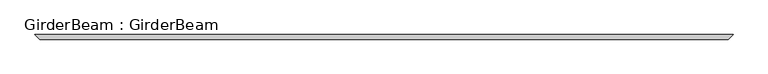
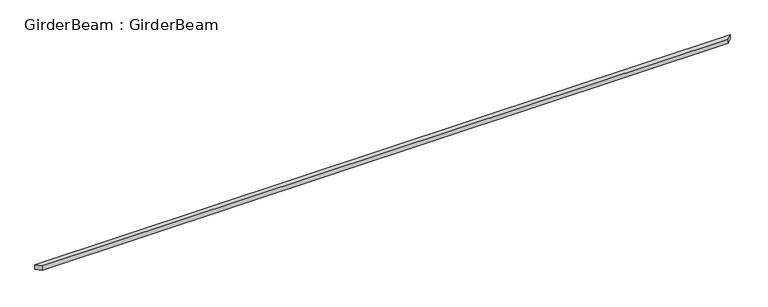
"""IFC4 building model written with IfcOpenShell, lengths in millimetres: beam geometry, GirderBeam : GirderBeam."""

import ifcopenshell
import ifcopenshell.guid

model = None  # the IFC model being written
_history = None  # IfcOwnerHistory: only IFC2X3 demands one
_inside = {}  # id of a spatial element -> (the spatial element, [elements in it])
_under = {}  # id of a project, library or spatial element -> (it, [spatial elements below it])
_declared = {}  # id of a project -> (the project, [libraries it declares])
_typed = {}  # id of a type object -> (the type object, [elements of that type])
_made_of = {}  # id of a material, layer set ... -> (it, [elements and type objects made of it])


def new_model(schema):
    """Start an empty IFC model of exactly this schema.

    Asked for "IFC4X3", IfcOpenShell would pick the latest addendum, in which some entities
    have other attributes; the version numbers below select the first issue.
    IFC2X3 requires an IfcOwnerHistory on every rooted entity: one is made here for all.
    """
    global model, _history
    if schema == "IFC4X3":
        model = ifcopenshell.file(schema_version=(4, 3, 0, 0))
    else:
        model = ifcopenshell.file(schema=schema)
    _inside.clear()
    _under.clear()
    _declared.clear()
    _typed.clear()
    _made_of.clear()
    _history = None
    if model.schema == "IFC2X3":
        org = make("IfcOrganization", Name="unknown")
        user = make(
            "IfcPersonAndOrganization",
            ThePerson=make("IfcPerson", FamilyName="unknown"),
            TheOrganization=org,
        )
        app = make(
            "IfcApplication",
            ApplicationDeveloper=org,
            Version="unknown",
            ApplicationFullName="unknown",
            ApplicationIdentifier="unknown",
        )
        _history = make(
            "IfcOwnerHistory",
            OwningUser=user,
            OwningApplication=app,
            ChangeAction="ADDED",
            CreationDate=0,
        )
    return model


def make(cls, **values):
    """One entity of the class cls with the attributes given. An attribute that is None is left unset."""
    return model.create_entity(
        cls, **{name: value for name, value in values.items() if value is not None}
    )


def rooted(cls, **values):
    """An entity with a GlobalId (a new one), such as an element, a storey or a relation."""
    return make(cls, GlobalId=ifcopenshell.guid.new(), OwnerHistory=_history, **values)


def si_unit(unit_type, name, prefix=None):
    """IfcSIUnit, for example si_unit("LENGTHUNIT", "METRE", prefix="MILLI")."""
    return make("IfcSIUnit", UnitType=unit_type, Prefix=prefix, Name=name)


def assignment(units):
    """IfcUnitAssignment: the units of a project."""
    return None if units is None else make("IfcUnitAssignment", Units=units)


def point(xyz):
    """IfcCartesianPoint."""
    return None if xyz is None else make("IfcCartesianPoint", Coordinates=xyz)


def direction(xyz):
    """IfcDirection."""
    return None if xyz is None else make("IfcDirection", DirectionRatios=xyz)


def frame(location, z_axis=None, x_axis=None):
    """IfcAxis2Placement3D, a coordinate frame: its origin and axes. An axis left out is left unset."""
    return make(
        "IfcAxis2Placement3D",
        Location=point(location),
        Axis=direction(z_axis),
        RefDirection=direction(x_axis),
    )


def origin():
    """The frame at (0, 0, 0) with its axes left unset."""
    return frame((0.0, 0.0, 0.0))


def place(relative_to, where):
    """IfcLocalPlacement: puts the frame where relative to a parent placement (None: the world)."""
    return make(
        "IfcLocalPlacement", PlacementRelTo=relative_to, RelativePlacement=where
    )


def context(
    kind, dimensions, precision=None, world=None, true_north=None, identifier=None
):
    """IfcGeometricRepresentationContext, for example the 3D "Model" context."""
    return make(
        "IfcGeometricRepresentationContext",
        ContextIdentifier=identifier,
        ContextType=kind,
        CoordinateSpaceDimension=dimensions,
        Precision=precision,
        WorldCoordinateSystem=world,
        TrueNorth=true_north,
    )


def project(units=None, contexts=None):
    """IfcProject with its units and contexts."""
    return rooted(
        "IfcProject",
        Name="project",
        RepresentationContexts=contexts,
        UnitsInContext=assignment(units),
    )


def spatial(cls, under=None, at=None, **own):
    """A site, building, storey or space (cls), placed at a placement, below another one or the project."""
    s = rooted(cls, ObjectPlacement=at, **own)
    if under is not None:
        _under.setdefault(under.id(), (under, []))[1].append(s)
    return s


def polyline(points):
    """IfcPolyline through the points."""
    return make("IfcPolyline", Points=[point(p) for p in points])


def outline(outer, holes=None, kind="AREA"):
    """IfcArbitraryClosedProfileDef: a profile drawn as a closed curve; with holes, ...WithVoids."""
    if holes is None:
        return make("IfcArbitraryClosedProfileDef", ProfileType=kind, OuterCurve=outer)
    return make(
        "IfcArbitraryProfileDefWithVoids",
        ProfileType=kind,
        OuterCurve=outer,
        InnerCurves=holes,
    )


def extrude(swept, where, along, depth):
    """IfcExtrudedAreaSolid: the profile swept, set in the frame where, extruded along a direction by depth."""
    return make(
        "IfcExtrudedAreaSolid",
        SweptArea=swept,
        Position=where,
        ExtrudedDirection=direction(along),
        Depth=depth,
    )


def shape(context_of_items, identifier, shape_type, items):
    """IfcShapeRepresentation: the items that make up one representation, for example the "Body"."""
    return make(
        "IfcShapeRepresentation",
        ContextOfItems=context_of_items,
        RepresentationIdentifier=identifier,
        RepresentationType=shape_type,
        Items=items,
    )


def source(mapping_origin, context_of_items, identifier, shape_type, items):
    """IfcRepresentationMap: a shape defined once, which mapped items show again and again."""
    return make(
        "IfcRepresentationMap",
        MappingOrigin=mapping_origin,
        MappedRepresentation=shape(context_of_items, identifier, shape_type, items),
    )


def transform(
    local_origin,
    x_axis=None,
    y_axis=None,
    z_axis=None,
    scale=None,
    scale2=None,
    scale3=None,
    uniform=True,
):
    """IfcCartesianTransformationOperator3D, or its non-uniform kind. x_axis, y_axis, z_axis: its Axis1, 2, 3."""
    if uniform:
        return make(
            "IfcCartesianTransformationOperator3D",
            Axis1=direction(x_axis),
            Axis2=direction(y_axis),
            LocalOrigin=point(local_origin),
            Scale=scale,
            Axis3=direction(z_axis),
        )
    return make(
        "IfcCartesianTransformationOperator3DnonUniform",
        Axis1=direction(x_axis),
        Axis2=direction(y_axis),
        LocalOrigin=point(local_origin),
        Scale=scale,
        Axis3=direction(z_axis),
        Scale2=scale2,
        Scale3=scale3,
    )


def mapped(mapping_source, mapping_target):
    """IfcMappedItem: shows the shape of a source again, moved by a transform."""
    return make(
        "IfcMappedItem", MappingSource=mapping_source, MappingTarget=mapping_target
    )


def made_of(thing, what):
    """Note that an element or type object is made of a material, layer set ...; save() writes the relation."""
    if what is not None:
        _made_of.setdefault(what.id(), (what, []))[1].append(thing)
    return thing


def element(
    cls,
    number,
    at=None,
    inside=None,
    cuts=None,
    type_object=None,
    material=None,
    context=None,
    identifier="Body",
    shape_type=None,
    held_by="IfcProductDefinitionShape",
    body=None,
    shapes=None,
    **own,
):
    """One element of the class cls, such as IfcWall. Its Tag is "e" and its number.

    at: its placement. inside: the storey or other place that contains it. cuts: it is an
    opening in that element (IfcRelVoidsElement). A single representation is given by context,
    identifier, shape_type and body (its items); several are given by shapes. held_by: the class
    of the entity that holds the representations. save() writes the other relations.
    """
    e = rooted(cls, Tag="e%d" % number, ObjectPlacement=at, **own)
    if body is not None:
        shapes = [shape(context, identifier, shape_type, body)]
    if shapes is not None:
        e.Representation = make(held_by, Representations=shapes)
    if inside is not None:
        _inside.setdefault(inside.id(), (inside, []))[1].append(e)
    if cuts is not None:
        rooted(
            "IfcRelVoidsElement", RelatingBuildingElement=cuts, RelatedOpeningElement=e
        )
    if type_object is not None:
        _typed.setdefault(type_object.id(), (type_object, []))[1].append(e)
    return made_of(e, material)


def aggregate(whole, parts):
    """IfcRelAggregates: a whole, such as a stair, and the parts it consists of."""
    return rooted("IfcRelAggregates", RelatingObject=whole, RelatedObjects=parts)


def save(model, path):
    """Write the relations noted so far, then the file.

    IfcRelAggregates (storeys below a building ...), IfcRelContainedInSpatialStructure (elements
    in a storey), IfcRelDefinesByType, IfcRelAssociatesMaterial and IfcRelDeclares: one each for
    every whole, place, type object, material and project.
    """
    for whole, parts in _under.values():
        aggregate(whole, parts)
    for where, things in _inside.values():
        rooted(
            "IfcRelContainedInSpatialStructure",
            RelatedElements=things,
            RelatingStructure=where,
        )
    for kind, things in _typed.values():
        rooted("IfcRelDefinesByType", RelatedObjects=things, RelatingType=kind)
    for what, things in _made_of.values():
        rooted("IfcRelAssociatesMaterial", RelatedObjects=things, RelatingMaterial=what)
    for by, libraries in _declared.values():
        rooted("IfcRelDeclares", RelatingContext=by, RelatedDefinitions=libraries)
    model.write(path)


def girderbeam_girderbeam_e1440c9b(model_context):
    return source(origin(), model_context, "Body", "SweptSolid", [
        extrude(outline(polyline([(7415.0, -50.0), (-7415.0, -50.0), (-7515.0, 50.0), (7515.0, 50.0), (7415.0, -50.0)])), frame((0.0, 0.0, -221.2435565), z_axis=(0.0, 0.0, 1.0), x_axis=(1.0, 0.0, 0.0)), (0.0, 0.0, 1.0), 100.0),
    ])


if __name__ == "__main__":
    model = new_model("IFC4")
    model_context = context("Model", 3, world=origin())
    ifc_project = project(units=[si_unit("LENGTHUNIT", "METRE", prefix="MILLI")], contexts=[model_context])
    site = spatial("IfcSite", under=ifc_project)
    building = spatial("IfcBuilding", under=site)
    placement = place(None, origin())
    girderbeam_girderbeam_shape = girderbeam_girderbeam_e1440c9b(model_context)
    element("IfcBeam", 1, ObjectType="GirderBeam : GirderBeam", at=placement, inside=building, context=model_context, shape_type="MappedRepresentation", body=[
        mapped(girderbeam_girderbeam_shape, transform((0.0, 0.0, 0.0), x_axis=(1.0, 0.0, 0.0), y_axis=(0.0, 1.0, 0.0), z_axis=(0.0, 0.0, 1.0))),
    ])
    save(model, "model.ifc")
